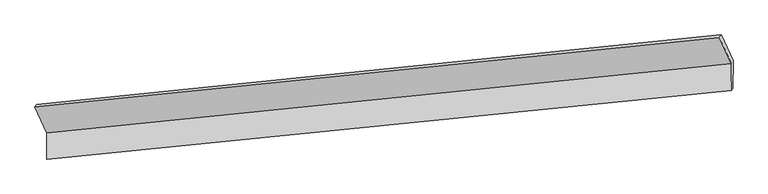
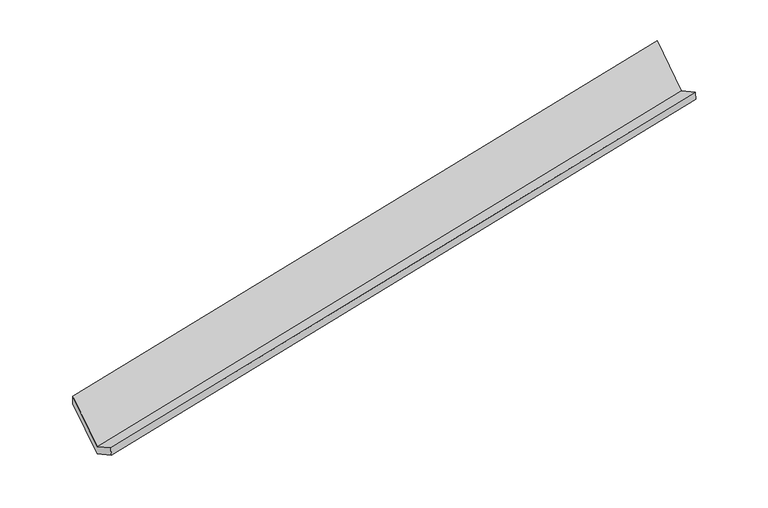
"""IFC4 building model written with IfcOpenShell, lengths in millimetres: proxy geometry."""

import ifcopenshell
import ifcopenshell.guid

model = None  # the IFC model being written
_history = None  # IfcOwnerHistory: only IFC2X3 demands one
_inside = {}  # id of a spatial element -> (the spatial element, [elements in it])
_under = {}  # id of a project, library or spatial element -> (it, [spatial elements below it])
_declared = {}  # id of a project -> (the project, [libraries it declares])
_typed = {}  # id of a type object -> (the type object, [elements of that type])
_made_of = {}  # id of a material, layer set ... -> (it, [elements and type objects made of it])


def new_model(schema):
    """Start an empty IFC model of exactly this schema.

    Asked for "IFC4X3", IfcOpenShell would pick the latest addendum, in which some entities
    have other attributes; the version numbers below select the first issue.
    IFC2X3 requires an IfcOwnerHistory on every rooted entity: one is made here for all.
    """
    global model, _history
    if schema == "IFC4X3":
        model = ifcopenshell.file(schema_version=(4, 3, 0, 0))
    else:
        model = ifcopenshell.file(schema=schema)
    _inside.clear()
    _under.clear()
    _declared.clear()
    _typed.clear()
    _made_of.clear()
    _history = None
    if model.schema == "IFC2X3":
        org = make("IfcOrganization", Name="unknown")
        user = make(
            "IfcPersonAndOrganization",
            ThePerson=make("IfcPerson", FamilyName="unknown"),
            TheOrganization=org,
        )
        app = make(
            "IfcApplication",
            ApplicationDeveloper=org,
            Version="unknown",
            ApplicationFullName="unknown",
            ApplicationIdentifier="unknown",
        )
        _history = make(
            "IfcOwnerHistory",
            OwningUser=user,
            OwningApplication=app,
            ChangeAction="ADDED",
            CreationDate=0,
        )
    return model


def make(cls, **values):
    """One entity of the class cls with the attributes given. An attribute that is None is left unset."""
    return model.create_entity(
        cls, **{name: value for name, value in values.items() if value is not None}
    )


def rooted(cls, **values):
    """An entity with a GlobalId (a new one), such as an element, a storey or a relation."""
    return make(cls, GlobalId=ifcopenshell.guid.new(), OwnerHistory=_history, **values)


def si_unit(unit_type, name, prefix=None):
    """IfcSIUnit, for example si_unit("LENGTHUNIT", "METRE", prefix="MILLI")."""
    return make("IfcSIUnit", UnitType=unit_type, Prefix=prefix, Name=name)


def assignment(units):
    """IfcUnitAssignment: the units of a project."""
    return None if units is None else make("IfcUnitAssignment", Units=units)


def point(xyz):
    """IfcCartesianPoint."""
    return None if xyz is None else make("IfcCartesianPoint", Coordinates=xyz)


def direction(xyz):
    """IfcDirection."""
    return None if xyz is None else make("IfcDirection", DirectionRatios=xyz)


def frame(location, z_axis=None, x_axis=None):
    """IfcAxis2Placement3D, a coordinate frame: its origin and axes. An axis left out is left unset."""
    return make(
        "IfcAxis2Placement3D",
        Location=point(location),
        Axis=direction(z_axis),
        RefDirection=direction(x_axis),
    )


def origin():
    """The frame at (0, 0, 0) with its axes left unset."""
    return frame((0.0, 0.0, 0.0))


def place(relative_to, where):
    """IfcLocalPlacement: puts the frame where relative to a parent placement (None: the world)."""
    return make(
        "IfcLocalPlacement", PlacementRelTo=relative_to, RelativePlacement=where
    )


def context(
    kind, dimensions, precision=None, world=None, true_north=None, identifier=None
):
    """IfcGeometricRepresentationContext, for example the 3D "Model" context."""
    return make(
        "IfcGeometricRepresentationContext",
        ContextIdentifier=identifier,
        ContextType=kind,
        CoordinateSpaceDimension=dimensions,
        Precision=precision,
        WorldCoordinateSystem=world,
        TrueNorth=true_north,
    )


def project(units=None, contexts=None):
    """IfcProject with its units and contexts."""
    return rooted(
        "IfcProject",
        Name="project",
        RepresentationContexts=contexts,
        UnitsInContext=assignment(units),
    )


def spatial(cls, under=None, at=None, **own):
    """A site, building, storey or space (cls), placed at a placement, below another one or the project."""
    s = rooted(cls, ObjectPlacement=at, **own)
    if under is not None:
        _under.setdefault(under.id(), (under, []))[1].append(s)
    return s


def faces_of(points, faces, orient=None, outer=None):
    """IfcFace entities. A face is a list of loops; a loop is a list of indices into points, from 0.

    orient and outer hold one flag for each loop. By default every Orientation is true, the
    first loop of a face is its IfcFaceOuterBound and the others are IfcFaceBound.
    """
    made = []
    for i, loops in enumerate(faces):
        bounds = []
        for j, loop in enumerate(loops):
            is_outer = j == 0 if outer is None else outer[i][j]
            bounds.append(
                make(
                    "IfcFaceOuterBound" if is_outer else "IfcFaceBound",
                    Bound=make("IfcPolyLoop", Polygon=[points[k] for k in loop]),
                    Orientation=True if orient is None else orient[i][j],
                )
            )
        made.append(make("IfcFace", Bounds=bounds))
    return made


def faceted_brep(points, faces, orient=None, outer=None, voids=None):
    """IfcFacetedBrep: a solid bounded by flat faces; with voids (closed shells), ...WithVoids."""
    shared = [point(p) for p in points]
    hull = make("IfcClosedShell", CfsFaces=faces_of(shared, faces, orient, outer))
    if voids is None:
        return make("IfcFacetedBrep", Outer=hull)
    return make(
        "IfcFacetedBrepWithVoids",
        Outer=hull,
        Voids=[
            make(cls, CfsFaces=faces_of(shared, fs, o, b)) for cls, fs, o, b in voids
        ],
    )


def shape(context_of_items, identifier, shape_type, items):
    """IfcShapeRepresentation: the items that make up one representation, for example the "Body"."""
    return make(
        "IfcShapeRepresentation",
        ContextOfItems=context_of_items,
        RepresentationIdentifier=identifier,
        RepresentationType=shape_type,
        Items=items,
    )


def source(mapping_origin, context_of_items, identifier, shape_type, items):
    """IfcRepresentationMap: a shape defined once, which mapped items show again and again."""
    return make(
        "IfcRepresentationMap",
        MappingOrigin=mapping_origin,
        MappedRepresentation=shape(context_of_items, identifier, shape_type, items),
    )


def transform(
    local_origin,
    x_axis=None,
    y_axis=None,
    z_axis=None,
    scale=None,
    scale2=None,
    scale3=None,
    uniform=True,
):
    """IfcCartesianTransformationOperator3D, or its non-uniform kind. x_axis, y_axis, z_axis: its Axis1, 2, 3."""
    if uniform:
        return make(
            "IfcCartesianTransformationOperator3D",
            Axis1=direction(x_axis),
            Axis2=direction(y_axis),
            LocalOrigin=point(local_origin),
            Scale=scale,
            Axis3=direction(z_axis),
        )
    return make(
        "IfcCartesianTransformationOperator3DnonUniform",
        Axis1=direction(x_axis),
        Axis2=direction(y_axis),
        LocalOrigin=point(local_origin),
        Scale=scale,
        Axis3=direction(z_axis),
        Scale2=scale2,
        Scale3=scale3,
    )


def mapped(mapping_source, mapping_target):
    """IfcMappedItem: shows the shape of a source again, moved by a transform."""
    return make(
        "IfcMappedItem", MappingSource=mapping_source, MappingTarget=mapping_target
    )


def made_of(thing, what):
    """Note that an element or type object is made of a material, layer set ...; save() writes the relation."""
    if what is not None:
        _made_of.setdefault(what.id(), (what, []))[1].append(thing)
    return thing


def element(
    cls,
    number,
    at=None,
    inside=None,
    cuts=None,
    type_object=None,
    material=None,
    context=None,
    identifier="Body",
    shape_type=None,
    held_by="IfcProductDefinitionShape",
    body=None,
    shapes=None,
    **own,
):
    """One element of the class cls, such as IfcWall. Its Tag is "e" and its number.

    at: its placement. inside: the storey or other place that contains it. cuts: it is an
    opening in that element (IfcRelVoidsElement). A single representation is given by context,
    identifier, shape_type and body (its items); several are given by shapes. held_by: the class
    of the entity that holds the representations. save() writes the other relations.
    """
    e = rooted(cls, Tag="e%d" % number, ObjectPlacement=at, **own)
    if body is not None:
        shapes = [shape(context, identifier, shape_type, body)]
    if shapes is not None:
        e.Representation = make(held_by, Representations=shapes)
    if inside is not None:
        _inside.setdefault(inside.id(), (inside, []))[1].append(e)
    if cuts is not None:
        rooted(
            "IfcRelVoidsElement", RelatingBuildingElement=cuts, RelatedOpeningElement=e
        )
    if type_object is not None:
        _typed.setdefault(type_object.id(), (type_object, []))[1].append(e)
    return made_of(e, material)


def aggregate(whole, parts):
    """IfcRelAggregates: a whole, such as a stair, and the parts it consists of."""
    return rooted("IfcRelAggregates", RelatingObject=whole, RelatedObjects=parts)


def save(model, path):
    """Write the relations noted so far, then the file.

    IfcRelAggregates (storeys below a building ...), IfcRelContainedInSpatialStructure (elements
    in a storey), IfcRelDefinesByType, IfcRelAssociatesMaterial and IfcRelDeclares: one each for
    every whole, place, type object, material and project.
    """
    for whole, parts in _under.values():
        aggregate(whole, parts)
    for where, things in _inside.values():
        rooted(
            "IfcRelContainedInSpatialStructure",
            RelatedElements=things,
            RelatingStructure=where,
        )
    for kind, things in _typed.values():
        rooted("IfcRelDefinesByType", RelatedObjects=things, RelatingType=kind)
    for what, things in _made_of.values():
        rooted("IfcRelAssociatesMaterial", RelatedObjects=things, RelatingMaterial=what)
    for by, libraries in _declared.values():
        rooted("IfcRelDeclares", RelatingContext=by, RelatedDefinitions=libraries)
    model.write(path)


def generic_models_e6998884(model_context):
    return source(origin(), model_context, "Body", "Brep", [
        faceted_brep([(-7470.0911234, -1993.6150244, 814.3086047), (-7471.4421882, -2349.198636, 1010.3742904), (1830.7810823, -1412.2367412, 2825.5193282), (1832.1654198, -1047.8961684, 2624.6251309), (-7447.4890011, -2324.7110924, 874.497069), (1854.7342694, -1387.7491976, 2689.6421069), (-7446.0761482, -1952.8656237, 669.4647379), (1856.180395, -1007.1467678, 2479.7812642), (-7606.5861704, -1601.4105546, 1305.7555957), (1695.6703728, -655.6916986, 3116.072122), (-7631.1673067, -1640.9202808, 1452.8438278), (1671.0892365, -695.2014248, 3263.160354)], [[[0, 1, 2, 3]], [[1, 4, 5, 2]], [[4, 6, 7, 5]], [[6, 8, 9, 7]], [[8, 10, 11, 9]], [[10, 0, 3, 11]], [[9, 11, 3, 2, 5, 7]], [[0, 10, 8, 6, 4, 1]]]),
    ])


if __name__ == "__main__":
    model = new_model("IFC4")
    model_context = context("Model", 3, world=origin())
    ifc_project = project(units=[si_unit("LENGTHUNIT", "METRE", prefix="MILLI")], contexts=[model_context])
    site = spatial("IfcSite", under=ifc_project)
    building = spatial("IfcBuilding", under=site)
    placement = place(None, origin())
    generic_models_shape = generic_models_e6998884(model_context)
    element("IfcBuildingElementProxy", 1, Name="Generic Models", at=placement, inside=building, context=model_context, shape_type="MappedRepresentation", body=[
        mapped(generic_models_shape, transform((0.0, 0.0, 0.0), x_axis=(1.0, 0.0, 0.0), y_axis=(0.0, 1.0, 0.0), z_axis=(0.0, 0.0, 1.0))),
    ])
    save(model, "model.ifc")
